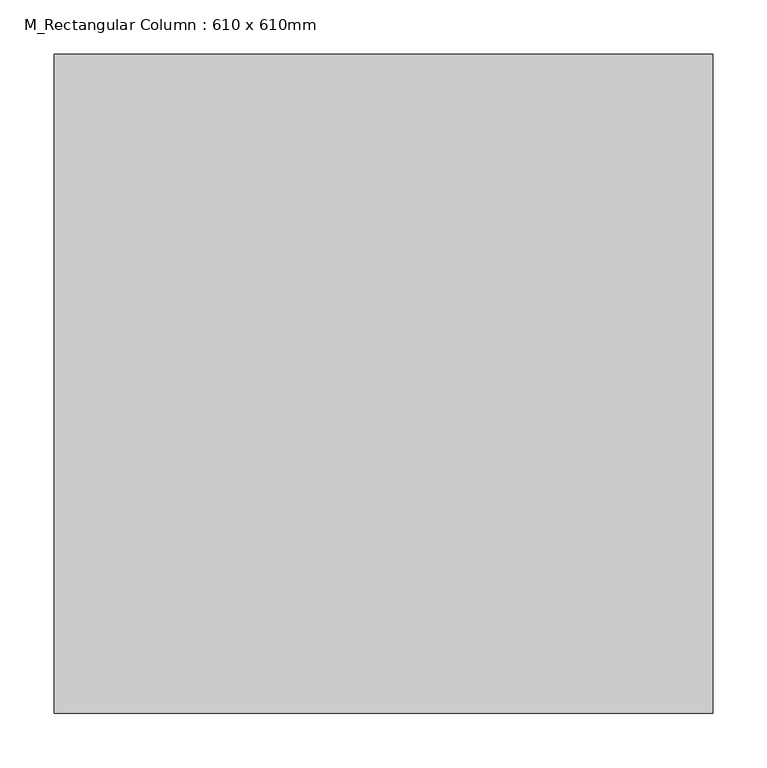
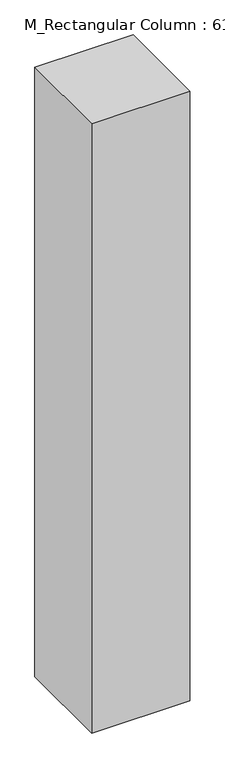
"""IFC4 building model written with IfcOpenShell, lengths in millimetres: column geometry, M_Rectangular Column : 610 x 610mm."""

import ifcopenshell
import ifcopenshell.guid

model = None  # the IFC model being written
_history = None  # IfcOwnerHistory: only IFC2X3 demands one
_inside = {}  # id of a spatial element -> (the spatial element, [elements in it])
_under = {}  # id of a project, library or spatial element -> (it, [spatial elements below it])
_declared = {}  # id of a project -> (the project, [libraries it declares])
_typed = {}  # id of a type object -> (the type object, [elements of that type])
_made_of = {}  # id of a material, layer set ... -> (it, [elements and type objects made of it])


def new_model(schema):
    """Start an empty IFC model of exactly this schema.

    Asked for "IFC4X3", IfcOpenShell would pick the latest addendum, in which some entities
    have other attributes; the version numbers below select the first issue.
    IFC2X3 requires an IfcOwnerHistory on every rooted entity: one is made here for all.
    """
    global model, _history
    if schema == "IFC4X3":
        model = ifcopenshell.file(schema_version=(4, 3, 0, 0))
    else:
        model = ifcopenshell.file(schema=schema)
    _inside.clear()
    _under.clear()
    _declared.clear()
    _typed.clear()
    _made_of.clear()
    _history = None
    if model.schema == "IFC2X3":
        org = make("IfcOrganization", Name="unknown")
        user = make(
            "IfcPersonAndOrganization",
            ThePerson=make("IfcPerson", FamilyName="unknown"),
            TheOrganization=org,
        )
        app = make(
            "IfcApplication",
            ApplicationDeveloper=org,
            Version="unknown",
            ApplicationFullName="unknown",
            ApplicationIdentifier="unknown",
        )
        _history = make(
            "IfcOwnerHistory",
            OwningUser=user,
            OwningApplication=app,
            ChangeAction="ADDED",
            CreationDate=0,
        )
    return model


def make(cls, **values):
    """One entity of the class cls with the attributes given. An attribute that is None is left unset."""
    return model.create_entity(
        cls, **{name: value for name, value in values.items() if value is not None}
    )


def rooted(cls, **values):
    """An entity with a GlobalId (a new one), such as an element, a storey or a relation."""
    return make(cls, GlobalId=ifcopenshell.guid.new(), OwnerHistory=_history, **values)


def si_unit(unit_type, name, prefix=None):
    """IfcSIUnit, for example si_unit("LENGTHUNIT", "METRE", prefix="MILLI")."""
    return make("IfcSIUnit", UnitType=unit_type, Prefix=prefix, Name=name)


def assignment(units):
    """IfcUnitAssignment: the units of a project."""
    return None if units is None else make("IfcUnitAssignment", Units=units)


def point(xyz):
    """IfcCartesianPoint."""
    return None if xyz is None else make("IfcCartesianPoint", Coordinates=xyz)


def direction(xyz):
    """IfcDirection."""
    return None if xyz is None else make("IfcDirection", DirectionRatios=xyz)


def frame(location, z_axis=None, x_axis=None):
    """IfcAxis2Placement3D, a coordinate frame: its origin and axes. An axis left out is left unset."""
    return make(
        "IfcAxis2Placement3D",
        Location=point(location),
        Axis=direction(z_axis),
        RefDirection=direction(x_axis),
    )


def origin():
    """The frame at (0, 0, 0) with its axes left unset."""
    return frame((0.0, 0.0, 0.0))


def place(relative_to, where):
    """IfcLocalPlacement: puts the frame where relative to a parent placement (None: the world)."""
    return make(
        "IfcLocalPlacement", PlacementRelTo=relative_to, RelativePlacement=where
    )


def context(
    kind, dimensions, precision=None, world=None, true_north=None, identifier=None
):
    """IfcGeometricRepresentationContext, for example the 3D "Model" context."""
    return make(
        "IfcGeometricRepresentationContext",
        ContextIdentifier=identifier,
        ContextType=kind,
        CoordinateSpaceDimension=dimensions,
        Precision=precision,
        WorldCoordinateSystem=world,
        TrueNorth=true_north,
    )


def project(units=None, contexts=None):
    """IfcProject with its units and contexts."""
    return rooted(
        "IfcProject",
        Name="project",
        RepresentationContexts=contexts,
        UnitsInContext=assignment(units),
    )


def spatial(cls, under=None, at=None, **own):
    """A site, building, storey or space (cls), placed at a placement, below another one or the project."""
    s = rooted(cls, ObjectPlacement=at, **own)
    if under is not None:
        _under.setdefault(under.id(), (under, []))[1].append(s)
    return s


def polyline(points):
    """IfcPolyline through the points."""
    return make("IfcPolyline", Points=[point(p) for p in points])


def outline(outer, holes=None, kind="AREA"):
    """IfcArbitraryClosedProfileDef: a profile drawn as a closed curve; with holes, ...WithVoids."""
    if holes is None:
        return make("IfcArbitraryClosedProfileDef", ProfileType=kind, OuterCurve=outer)
    return make(
        "IfcArbitraryProfileDefWithVoids",
        ProfileType=kind,
        OuterCurve=outer,
        InnerCurves=holes,
    )


def extrude(swept, where, along, depth):
    """IfcExtrudedAreaSolid: the profile swept, set in the frame where, extruded along a direction by depth."""
    return make(
        "IfcExtrudedAreaSolid",
        SweptArea=swept,
        Position=where,
        ExtrudedDirection=direction(along),
        Depth=depth,
    )


def shape(context_of_items, identifier, shape_type, items):
    """IfcShapeRepresentation: the items that make up one representation, for example the "Body"."""
    return make(
        "IfcShapeRepresentation",
        ContextOfItems=context_of_items,
        RepresentationIdentifier=identifier,
        RepresentationType=shape_type,
        Items=items,
    )


def source(mapping_origin, context_of_items, identifier, shape_type, items):
    """IfcRepresentationMap: a shape defined once, which mapped items show again and again."""
    return make(
        "IfcRepresentationMap",
        MappingOrigin=mapping_origin,
        MappedRepresentation=shape(context_of_items, identifier, shape_type, items),
    )


def transform(
    local_origin,
    x_axis=None,
    y_axis=None,
    z_axis=None,
    scale=None,
    scale2=None,
    scale3=None,
    uniform=True,
):
    """IfcCartesianTransformationOperator3D, or its non-uniform kind. x_axis, y_axis, z_axis: its Axis1, 2, 3."""
    if uniform:
        return make(
            "IfcCartesianTransformationOperator3D",
            Axis1=direction(x_axis),
            Axis2=direction(y_axis),
            LocalOrigin=point(local_origin),
            Scale=scale,
            Axis3=direction(z_axis),
        )
    return make(
        "IfcCartesianTransformationOperator3DnonUniform",
        Axis1=direction(x_axis),
        Axis2=direction(y_axis),
        LocalOrigin=point(local_origin),
        Scale=scale,
        Axis3=direction(z_axis),
        Scale2=scale2,
        Scale3=scale3,
    )


def mapped(mapping_source, mapping_target):
    """IfcMappedItem: shows the shape of a source again, moved by a transform."""
    return make(
        "IfcMappedItem", MappingSource=mapping_source, MappingTarget=mapping_target
    )


def made_of(thing, what):
    """Note that an element or type object is made of a material, layer set ...; save() writes the relation."""
    if what is not None:
        _made_of.setdefault(what.id(), (what, []))[1].append(thing)
    return thing


def element(
    cls,
    number,
    at=None,
    inside=None,
    cuts=None,
    type_object=None,
    material=None,
    context=None,
    identifier="Body",
    shape_type=None,
    held_by="IfcProductDefinitionShape",
    body=None,
    shapes=None,
    **own,
):
    """One element of the class cls, such as IfcWall. Its Tag is "e" and its number.

    at: its placement. inside: the storey or other place that contains it. cuts: it is an
    opening in that element (IfcRelVoidsElement). A single representation is given by context,
    identifier, shape_type and body (its items); several are given by shapes. held_by: the class
    of the entity that holds the representations. save() writes the other relations.
    """
    e = rooted(cls, Tag="e%d" % number, ObjectPlacement=at, **own)
    if body is not None:
        shapes = [shape(context, identifier, shape_type, body)]
    if shapes is not None:
        e.Representation = make(held_by, Representations=shapes)
    if inside is not None:
        _inside.setdefault(inside.id(), (inside, []))[1].append(e)
    if cuts is not None:
        rooted(
            "IfcRelVoidsElement", RelatingBuildingElement=cuts, RelatedOpeningElement=e
        )
    if type_object is not None:
        _typed.setdefault(type_object.id(), (type_object, []))[1].append(e)
    return made_of(e, material)


def aggregate(whole, parts):
    """IfcRelAggregates: a whole, such as a stair, and the parts it consists of."""
    return rooted("IfcRelAggregates", RelatingObject=whole, RelatedObjects=parts)


def save(model, path):
    """Write the relations noted so far, then the file.

    IfcRelAggregates (storeys below a building ...), IfcRelContainedInSpatialStructure (elements
    in a storey), IfcRelDefinesByType, IfcRelAssociatesMaterial and IfcRelDeclares: one each for
    every whole, place, type object, material and project.
    """
    for whole, parts in _under.values():
        aggregate(whole, parts)
    for where, things in _inside.values():
        rooted(
            "IfcRelContainedInSpatialStructure",
            RelatedElements=things,
            RelatingStructure=where,
        )
    for kind, things in _typed.values():
        rooted("IfcRelDefinesByType", RelatedObjects=things, RelatingType=kind)
    for what, things in _made_of.values():
        rooted("IfcRelAssociatesMaterial", RelatedObjects=things, RelatingMaterial=what)
    for by, libraries in _declared.values():
        rooted("IfcRelDeclares", RelatingContext=by, RelatedDefinitions=libraries)
    model.write(path)


def m_rectangular_column_610_x_610mm_e1a4b345(model_context):
    return source(origin(), model_context, "Body", "SweptSolid", [
        extrude(outline(polyline([(305.0, 305.0), (305.0, -305.0), (-305.0, -305.0), (-305.0, 305.0), (305.0, 305.0)])), frame((0.0, 0.0, 8000.0), z_axis=(0.0, 0.0, 1.0), x_axis=(1.0, 0.0, 0.0)), (0.0, 0.0, 1.0), 4000.0),
    ])


if __name__ == "__main__":
    model = new_model("IFC4")
    model_context = context("Model", 3, world=origin())
    ifc_project = project(units=[si_unit("LENGTHUNIT", "METRE", prefix="MILLI")], contexts=[model_context])
    site = spatial("IfcSite", under=ifc_project)
    building = spatial("IfcBuilding", under=site)
    placement = place(None, origin())
    m_rectangular_column_610_x_610mm_shape = m_rectangular_column_610_x_610mm_e1a4b345(model_context)
    element("IfcColumn", 1, ObjectType="M_Rectangular Column : 610 x 610mm", at=placement, inside=building, context=model_context, shape_type="MappedRepresentation", body=[
        mapped(m_rectangular_column_610_x_610mm_shape, transform((0.0, 0.0, 0.0), x_axis=(1.0, 0.0, 0.0), y_axis=(0.0, 1.0, 0.0), z_axis=(0.0, 0.0, 1.0))),
    ])
    save(model, "model.ifc")
